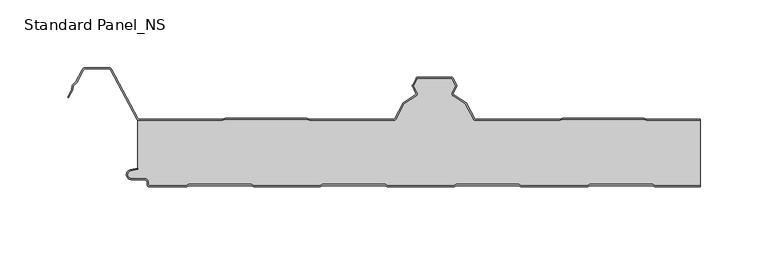
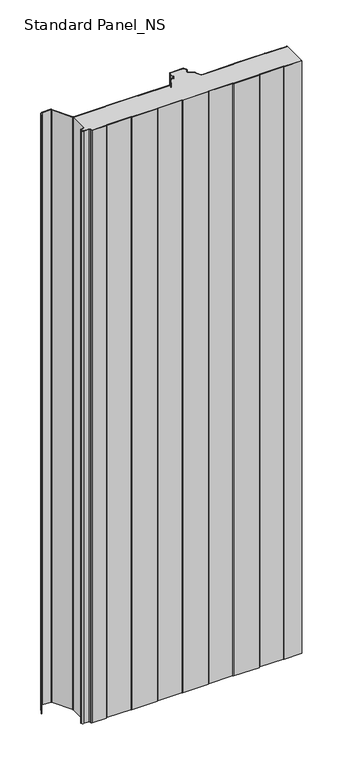
"""IFC4 building model written with IfcOpenShell, lengths in millimetres: proxy geometry, Standard Panel_NS."""

import ifcopenshell
import ifcopenshell.guid

model = None  # the IFC model being written
_history = None  # IfcOwnerHistory: only IFC2X3 demands one
_inside = {}  # id of a spatial element -> (the spatial element, [elements in it])
_under = {}  # id of a project, library or spatial element -> (it, [spatial elements below it])
_declared = {}  # id of a project -> (the project, [libraries it declares])
_typed = {}  # id of a type object -> (the type object, [elements of that type])
_made_of = {}  # id of a material, layer set ... -> (it, [elements and type objects made of it])


def new_model(schema):
    """Start an empty IFC model of exactly this schema.

    Asked for "IFC4X3", IfcOpenShell would pick the latest addendum, in which some entities
    have other attributes; the version numbers below select the first issue.
    IFC2X3 requires an IfcOwnerHistory on every rooted entity: one is made here for all.
    """
    global model, _history
    if schema == "IFC4X3":
        model = ifcopenshell.file(schema_version=(4, 3, 0, 0))
    else:
        model = ifcopenshell.file(schema=schema)
    _inside.clear()
    _under.clear()
    _declared.clear()
    _typed.clear()
    _made_of.clear()
    _history = None
    if model.schema == "IFC2X3":
        org = make("IfcOrganization", Name="unknown")
        user = make(
            "IfcPersonAndOrganization",
            ThePerson=make("IfcPerson", FamilyName="unknown"),
            TheOrganization=org,
        )
        app = make(
            "IfcApplication",
            ApplicationDeveloper=org,
            Version="unknown",
            ApplicationFullName="unknown",
            ApplicationIdentifier="unknown",
        )
        _history = make(
            "IfcOwnerHistory",
            OwningUser=user,
            OwningApplication=app,
            ChangeAction="ADDED",
            CreationDate=0,
        )
    return model


def make(cls, **values):
    """One entity of the class cls with the attributes given. An attribute that is None is left unset."""
    return model.create_entity(
        cls, **{name: value for name, value in values.items() if value is not None}
    )


def rooted(cls, **values):
    """An entity with a GlobalId (a new one), such as an element, a storey or a relation."""
    return make(cls, GlobalId=ifcopenshell.guid.new(), OwnerHistory=_history, **values)


def si_unit(unit_type, name, prefix=None):
    """IfcSIUnit, for example si_unit("LENGTHUNIT", "METRE", prefix="MILLI")."""
    return make("IfcSIUnit", UnitType=unit_type, Prefix=prefix, Name=name)


def assignment(units):
    """IfcUnitAssignment: the units of a project."""
    return None if units is None else make("IfcUnitAssignment", Units=units)


def point(xyz):
    """IfcCartesianPoint."""
    return None if xyz is None else make("IfcCartesianPoint", Coordinates=xyz)


def direction(xyz):
    """IfcDirection."""
    return None if xyz is None else make("IfcDirection", DirectionRatios=xyz)


def frame(location, z_axis=None, x_axis=None):
    """IfcAxis2Placement3D, a coordinate frame: its origin and axes. An axis left out is left unset."""
    return make(
        "IfcAxis2Placement3D",
        Location=point(location),
        Axis=direction(z_axis),
        RefDirection=direction(x_axis),
    )


def frame_2d(location, x_axis=None):
    """IfcAxis2Placement2D, a coordinate frame in the plane: its origin and x axis."""
    return make(
        "IfcAxis2Placement2D", Location=point(location), RefDirection=direction(x_axis)
    )


def origin():
    """The frame at (0, 0, 0) with its axes left unset."""
    return frame((0.0, 0.0, 0.0))


def origin_with_axes():
    """The frame at (0, 0, 0) with the z axis (0, 0, 1) and the x axis (1, 0, 0) written out."""
    return frame((0.0, 0.0, 0.0), z_axis=(0.0, 0.0, 1.0), x_axis=(1.0, 0.0, 0.0))


def place(relative_to, where):
    """IfcLocalPlacement: puts the frame where relative to a parent placement (None: the world)."""
    return make(
        "IfcLocalPlacement", PlacementRelTo=relative_to, RelativePlacement=where
    )


def context(
    kind, dimensions, precision=None, world=None, true_north=None, identifier=None
):
    """IfcGeometricRepresentationContext, for example the 3D "Model" context."""
    return make(
        "IfcGeometricRepresentationContext",
        ContextIdentifier=identifier,
        ContextType=kind,
        CoordinateSpaceDimension=dimensions,
        Precision=precision,
        WorldCoordinateSystem=world,
        TrueNorth=true_north,
    )


def project(units=None, contexts=None):
    """IfcProject with its units and contexts."""
    return rooted(
        "IfcProject",
        Name="project",
        RepresentationContexts=contexts,
        UnitsInContext=assignment(units),
    )


def spatial(cls, under=None, at=None, **own):
    """A site, building, storey or space (cls), placed at a placement, below another one or the project."""
    s = rooted(cls, ObjectPlacement=at, **own)
    if under is not None:
        _under.setdefault(under.id(), (under, []))[1].append(s)
    return s


def polyline(points):
    """IfcPolyline through the points."""
    return make("IfcPolyline", Points=[point(p) for p in points])


def circle_curve(where, radius):
    """IfcCircle in the frame where."""
    return make("IfcCircle", Position=where, Radius=radius)


def trimmed(basis, trim1, trim2, sense, master):
    """IfcTrimmedCurve: the piece of a basis curve between two trims."""
    return make(
        "IfcTrimmedCurve",
        BasisCurve=basis,
        Trim1=trim1,
        Trim2=trim2,
        SenseAgreement=sense,
        MasterRepresentation=master,
    )


def segment(curve, same_sense, transition):
    """IfcCompositeCurveSegment."""
    return make(
        "IfcCompositeCurveSegment",
        Transition=transition,
        SameSense=same_sense,
        ParentCurve=curve,
    )


def composite_curve(segments, self_intersect=None):
    """IfcCompositeCurve: segments joined end to end."""
    return make("IfcCompositeCurve", Segments=segments, SelfIntersect=self_intersect)


def outline(outer, holes=None, kind="AREA"):
    """IfcArbitraryClosedProfileDef: a profile drawn as a closed curve; with holes, ...WithVoids."""
    if holes is None:
        return make("IfcArbitraryClosedProfileDef", ProfileType=kind, OuterCurve=outer)
    return make(
        "IfcArbitraryProfileDefWithVoids",
        ProfileType=kind,
        OuterCurve=outer,
        InnerCurves=holes,
    )


def extrude(swept, where, along, depth):
    """IfcExtrudedAreaSolid: the profile swept, set in the frame where, extruded along a direction by depth."""
    return make(
        "IfcExtrudedAreaSolid",
        SweptArea=swept,
        Position=where,
        ExtrudedDirection=direction(along),
        Depth=depth,
    )


def shape(context_of_items, identifier, shape_type, items):
    """IfcShapeRepresentation: the items that make up one representation, for example the "Body"."""
    return make(
        "IfcShapeRepresentation",
        ContextOfItems=context_of_items,
        RepresentationIdentifier=identifier,
        RepresentationType=shape_type,
        Items=items,
    )


def source(mapping_origin, context_of_items, identifier, shape_type, items):
    """IfcRepresentationMap: a shape defined once, which mapped items show again and again."""
    return make(
        "IfcRepresentationMap",
        MappingOrigin=mapping_origin,
        MappedRepresentation=shape(context_of_items, identifier, shape_type, items),
    )


def transform(
    local_origin,
    x_axis=None,
    y_axis=None,
    z_axis=None,
    scale=None,
    scale2=None,
    scale3=None,
    uniform=True,
):
    """IfcCartesianTransformationOperator3D, or its non-uniform kind. x_axis, y_axis, z_axis: its Axis1, 2, 3."""
    if uniform:
        return make(
            "IfcCartesianTransformationOperator3D",
            Axis1=direction(x_axis),
            Axis2=direction(y_axis),
            LocalOrigin=point(local_origin),
            Scale=scale,
            Axis3=direction(z_axis),
        )
    return make(
        "IfcCartesianTransformationOperator3DnonUniform",
        Axis1=direction(x_axis),
        Axis2=direction(y_axis),
        LocalOrigin=point(local_origin),
        Scale=scale,
        Axis3=direction(z_axis),
        Scale2=scale2,
        Scale3=scale3,
    )


def mapped(mapping_source, mapping_target):
    """IfcMappedItem: shows the shape of a source again, moved by a transform."""
    return make(
        "IfcMappedItem", MappingSource=mapping_source, MappingTarget=mapping_target
    )


def made_of(thing, what):
    """Note that an element or type object is made of a material, layer set ...; save() writes the relation."""
    if what is not None:
        _made_of.setdefault(what.id(), (what, []))[1].append(thing)
    return thing


def element(
    cls,
    number,
    at=None,
    inside=None,
    cuts=None,
    type_object=None,
    material=None,
    context=None,
    identifier="Body",
    shape_type=None,
    held_by="IfcProductDefinitionShape",
    body=None,
    shapes=None,
    **own,
):
    """One element of the class cls, such as IfcWall. Its Tag is "e" and its number.

    at: its placement. inside: the storey or other place that contains it. cuts: it is an
    opening in that element (IfcRelVoidsElement). A single representation is given by context,
    identifier, shape_type and body (its items); several are given by shapes. held_by: the class
    of the entity that holds the representations. save() writes the other relations.
    """
    e = rooted(cls, Tag="e%d" % number, ObjectPlacement=at, **own)
    if body is not None:
        shapes = [shape(context, identifier, shape_type, body)]
    if shapes is not None:
        e.Representation = make(held_by, Representations=shapes)
    if inside is not None:
        _inside.setdefault(inside.id(), (inside, []))[1].append(e)
    if cuts is not None:
        rooted(
            "IfcRelVoidsElement", RelatingBuildingElement=cuts, RelatedOpeningElement=e
        )
    if type_object is not None:
        _typed.setdefault(type_object.id(), (type_object, []))[1].append(e)
    return made_of(e, material)


def aggregate(whole, parts):
    """IfcRelAggregates: a whole, such as a stair, and the parts it consists of."""
    return rooted("IfcRelAggregates", RelatingObject=whole, RelatedObjects=parts)


def save(model, path):
    """Write the relations noted so far, then the file.

    IfcRelAggregates (storeys below a building ...), IfcRelContainedInSpatialStructure (elements
    in a storey), IfcRelDefinesByType, IfcRelAssociatesMaterial and IfcRelDeclares: one each for
    every whole, place, type object, material and project.
    """
    for whole, parts in _under.values():
        aggregate(whole, parts)
    for where, things in _inside.values():
        rooted(
            "IfcRelContainedInSpatialStructure",
            RelatedElements=things,
            RelatingStructure=where,
        )
    for kind, things in _typed.values():
        rooted("IfcRelDefinesByType", RelatedObjects=things, RelatingType=kind)
    for what, things in _made_of.values():
        rooted("IfcRelAssociatesMaterial", RelatedObjects=things, RelatingMaterial=what)
    for by, libraries in _declared.values():
        rooted("IfcRelDeclares", RelatingContext=by, RelatedDefinitions=libraries)
    model.write(path)


def standard_panel_ns_6eb0cafb(model_context):
    return source(origin(), model_context, "Body", "SweptSolid", [
        extrude(outline(composite_curve([segment(polyline([(189.9831604, 0.0), (188.2086589, 1.0), (142.2089551, 1.0), (140.4769043, 0.0), (90.9831604, 0.0), (89.2086589, 1.0), (43.2089551, 1.0), (41.4769043, 0.0), (-8.0230957, 0.0), (-9.7551465, 1.0), (-55.7910449, 1.0), (-57.5230957, -0.013703), (-107.0168396, -0.013703), (-108.7913411, 0.986297), (-154.7910449, 0.986297), (-156.5230957, -0.013703), (-183.7507504, -0.013703)]), True, "CONTINUOUS"), segment(trimmed(circle_curve(frame_2d((-183.7507504, 2.036297)), 2.05), [point((-183.7507504, -0.013703))], [point((-185.8007504, 2.036297))], False, "CARTESIAN"), True, "CONTINUOUS"), segment(polyline([(-185.8007504, 2.036297), (-185.8007504, 3.436297)]), True, "CONTINUOUS"), segment(trimmed(circle_curve(frame_2d((-187.7507504, 3.436297)), 1.95), [point((-185.8007504, 3.436297))], [point((-187.7507504, 5.386297))], True, "CARTESIAN"), True, "CONTINUOUS"), segment(polyline([(-187.7507504, 5.386297), (-197.5507504, 5.386297)]), True, "CONTINUOUS"), segment(trimmed(circle_curve(frame_2d((-197.5507504, 9.036297)), 3.65), [point((-197.5507504, 5.386297))], [point((-198.3718217, 12.5927478))], False, "CARTESIAN"), True, "CONTINUOUS"), segment(polyline([(-198.3718217, 12.5927478), (-192.9286061, 13.8494131), (-192.7486452, 13.0699171), (-198.1918609, 11.8132517)]), True, "CONTINUOUS"), segment(trimmed(circle_curve(frame_2d((-197.5507504, 9.036297)), 2.85), [point((-198.1918609, 11.8132517))], [point((-197.5507504, 6.186297))], True, "CARTESIAN"), True, "CONTINUOUS"), segment(polyline([(-197.5507504, 6.186297), (-187.7507504, 6.186297)]), True, "CONTINUOUS"), segment(trimmed(circle_curve(frame_2d((-187.7507504, 3.436297)), 2.75), [point((-187.7507504, 6.186297))], [point((-185.0007504, 3.436297))], False, "CARTESIAN"), True, "CONTINUOUS"), segment(polyline([(-185.0007504, 3.436297), (-185.0007504, 2.036297)]), True, "CONTINUOUS"), segment(trimmed(circle_curve(frame_2d((-183.7507504, 2.036297)), 1.25), [point((-185.0007504, 2.036297))], [point((-183.7507504, 0.786297))], True, "CARTESIAN"), True, "CONTINUOUS"), segment(polyline([(-183.7507504, 0.786297), (-156.737455, 0.786297), (-155.0054042, 1.786297), (-108.5814431, 1.786297), (-106.8069416, 0.786297), (-57.737455, 0.786297), (-56.0054042, 1.8), (-9.5407871, 1.8), (-7.8087363, 0.8), (41.262545, 0.8), (42.9945958, 1.8), (89.4185569, 1.8), (91.1930584, 0.8), (140.262545, 0.8), (141.9945958, 1.8), (188.4185569, 1.8), (190.1930584, 0.8), (223.9042607, 0.8), (223.9042607, 0.0), (189.9831604, 0.0)]), True, "CONTINUOUS")], self_intersect=False)), origin_with_axes(), (0.0, 0.0, 1.0), 1219.2),
        extrude(outline(composite_curve([segment(polyline([(-191.3607504, 50.0), (-130.2226037, 50.0), (-127.8409703, 50.9683897), (-67.7367801, 50.9683897), (-65.3551468, 50.0), (-3.3730141, 50.0)]), True, "CONTINUOUS"), segment(trimmed(circle_curve(frame_2d((-3.3750906, 50.9999978)), 1.0), [point((-3.3730141, 50.0))], [point((-2.4921477, 50.5305175))], True, "CARTESIAN"), True, "CONTINUOUS"), segment(polyline([(-2.4921477, 50.5305175), (3.7317189, 62.2356263), (12.8940779, 68.0365524)]), True, "CONTINUOUS"), segment(trimmed(circle_curve(frame_2d((12.3591509, 68.8814507)), 1.0), [point((12.8940779, 68.0365524))], [point((13.2530523, 69.3297144))], True, "CARTESIAN"), True, "CONTINUOUS"), segment(polyline([(13.2530523, 69.3297144), (10.7022883, 74.4163001)]), True, "CONTINUOUS"), segment(trimmed(circle_curve(frame_2d((11.5961897, 74.8645637)), 1.0), [point((10.7022883, 74.4163001))], [point((10.7132468, 75.3340441))], False, "CARTESIAN"), True, "CONTINUOUS"), segment(polyline([(10.7132468, 75.3340441), (13.4449029, 80.4714183)]), True, "CONTINUOUS"), segment(trimmed(circle_curve(frame_2d((14.7693172, 79.7671978)), 1.5), [point((13.4449029, 80.4714183))], [point((14.7964212, 81.2669529))], False, "CARTESIAN"), True, "CONTINUOUS"), segment(polyline([(14.7964212, 81.2669529), (39.4219504, 81.2669529)]), True, "CONTINUOUS"), segment(trimmed(circle_curve(frame_2d((39.4219504, 79.7669529)), 1.5), [point((39.4219504, 81.2669529))], [point((40.7463788, 80.4711471))], False, "CARTESIAN"), True, "CONTINUOUS"), segment(polyline([(40.7463788, 80.4711471), (43.4835237, 75.3232034)]), True, "CONTINUOUS"), segment(trimmed(circle_curve(frame_2d((42.6005714, 74.8537406)), 1.0), [point((43.4835237, 75.3232034))], [point((43.4944639, 74.4054592))], False, "CARTESIAN"), True, "CONTINUOUS"), segment(polyline([(43.4944639, 74.4054592), (40.9489617, 69.329618)]), True, "CONTINUOUS"), segment(trimmed(circle_curve(frame_2d((41.8428542, 68.8813366)), 1.0), [point((40.9489617, 69.329618))], [point((41.3079104, 68.0364489))], True, "CARTESIAN"), True, "CONTINUOUS"), segment(polyline([(41.3079104, 68.0364489), (50.4534972, 62.2458871), (56.6825853, 50.5303966)]), True, "CONTINUOUS"), segment(trimmed(circle_curve(frame_2d((57.5653038, 50.9997352)), 0.9997353), [point((56.6825853, 50.5303966))], [point((57.5653038, 49.9999999))], True, "CARTESIAN"), True, "CONTINUOUS"), segment(polyline([(57.5653038, 49.9999999), (119.546444, 49.9999999), (121.9280844, 50.9683897), (182.032274, 50.9683897), (184.4139138, 50.0), (223.9042607, 50.0), (223.9042607, 49.2), (184.2574895, 49.2), (181.8758496, 50.1683897), (122.0845088, 50.1683897), (119.7028683, 49.2), (57.5653038, 49.2)]), True, "CONTINUOUS"), segment(trimmed(circle_curve(frame_2d((57.5653038, 50.9997352)), 1.7997352), [point((57.5653038, 49.2))], [point((55.9762236, 50.1548264))], False, "CARTESIAN"), True, "CONTINUOUS"), segment(polyline([(55.9762236, 50.1548264), (49.8465774, 61.6832892), (40.8799555, 67.3605387)]), True, "CONTINUOUS"), segment(trimmed(circle_curve(frame_2d((41.8428542, 68.8813366)), 1.8), [point((40.8799555, 67.3605387))], [point((40.2338477, 69.6882431))], False, "CARTESIAN"), True, "CONTINUOUS"), segment(polyline([(40.2338477, 69.6882431), (42.8256576, 74.8564238), (39.8425575, 80.4669529), (14.3485893, 80.4669529), (11.3711036, 74.8672514), (13.9681734, 69.6883253)]), True, "CONTINUOUS"), segment(trimmed(circle_curve(frame_2d((12.3591509, 68.8814507)), 1.8), [point((13.9681734, 69.6883253))], [point((13.3220194, 67.3606338))], False, "CARTESIAN"), True, "CONTINUOUS"), segment(polyline([(13.3220194, 67.3606338), (4.3386275, 61.6730163), (-1.7857934, 50.1549332)]), True, "CONTINUOUS"), segment(trimmed(circle_curve(frame_2d((-3.3750906, 50.9999978)), 1.8), [point((-1.7857934, 50.1549332))], [point((-3.3723047, 49.2))], False, "CARTESIAN"), True, "CONTINUOUS"), segment(polyline([(-3.3723047, 49.2), (-65.5115715, 49.2), (-67.8932049, 50.1683897), (-127.6845456, 50.1683897), (-130.0661789, 49.2), (-191.3607504, 49.2)]), True, "CONTINUOUS"), segment(trimmed(circle_curve(frame_2d((-191.3607504, 51.75)), 2.55), [point((-191.3607504, 49.2))], [point((-193.6122667, 50.5528475))], False, "CARTESIAN"), True, "CONTINUOUS"), segment(polyline([(-193.6122667, 50.5528475), (-212.7155013, 86.4808064)]), True, "CONTINUOUS"), segment(trimmed(circle_curve(frame_2d((-214.5255439, 85.5183897)), 2.05), [point((-212.7155013, 86.4808064))], [point((-214.5255439, 87.5683897))], True, "CARTESIAN"), True, "CONTINUOUS"), segment(polyline([(-214.5255439, 87.5683897), (-231.2663514, 87.5683897)]), True, "CONTINUOUS"), segment(trimmed(circle_curve(frame_2d((-231.2663514, 85.5183897)), 2.05), [point((-231.2663514, 87.5683897))], [point((-233.076394, 86.4808064))], True, "CARTESIAN"), True, "CONTINUOUS"), segment(polyline([(-233.076394, 86.4808064), (-238.0216911, 77.1800551), (-240.3428004, 74.9723908), (-240.9163332, 71.7360251), (-244.0441824, 65.8533964), (-244.7505404, 66.2289737), (-241.6820111, 72.000038), (-241.084649, 75.3708693), (-238.6671014, 77.6702585), (-233.782752, 86.8563836)]), True, "CONTINUOUS"), segment(trimmed(circle_curve(frame_2d((-231.2663514, 85.5183897)), 2.85), [point((-233.782752, 86.8563836))], [point((-231.2663514, 88.3683897))], False, "CARTESIAN"), True, "CONTINUOUS"), segment(polyline([(-231.2663514, 88.3683897), (-214.5255439, 88.3683897)]), True, "CONTINUOUS"), segment(trimmed(circle_curve(frame_2d((-214.5255439, 85.5183897)), 2.85), [point((-214.5255439, 88.3683897))], [point((-212.0091432, 86.8563836))], False, "CARTESIAN"), True, "CONTINUOUS"), segment(polyline([(-212.0091432, 86.8563836), (-192.9059087, 50.9284248)]), True, "CONTINUOUS"), segment(trimmed(circle_curve(frame_2d((-191.3607504, 51.75)), 1.75), [point((-192.9059087, 50.9284248))], [point((-191.3607504, 50.0))], True, "CARTESIAN"), True, "CONTINUOUS")], self_intersect=False)), origin_with_axes(), (0.0, 0.0, 1.0), 1219.2),
        extrude(outline(composite_curve([segment(polyline([(-191.3607504, 49.2), (-130.0661789, 49.2), (-127.6845456, 50.1683897), (-67.8932049, 50.1683897), (-65.5115715, 49.2), (-3.3723047, 49.2)]), True, "CONTINUOUS"), segment(trimmed(circle_curve(frame_2d((-3.3750906, 50.9999978)), 1.8), [point((-3.3723047, 49.2))], [point((-1.7857934, 50.1549332))], True, "CARTESIAN"), True, "CONTINUOUS"), segment(polyline([(-1.7857934, 50.1549332), (4.3386275, 61.6730163), (13.3220194, 67.3606338)]), True, "CONTINUOUS"), segment(trimmed(circle_curve(frame_2d((12.3591509, 68.8814507)), 1.8), [point((13.3220194, 67.3606338))], [point((13.9681734, 69.6883253))], True, "CARTESIAN"), True, "CONTINUOUS"), segment(polyline([(13.9681734, 69.6883253), (11.3711036, 74.8672514), (14.3485893, 80.4669529), (39.8425575, 80.4669529), (42.8256576, 74.8564238), (40.2338477, 69.6882431)]), True, "CONTINUOUS"), segment(trimmed(circle_curve(frame_2d((41.8428542, 68.8813366)), 1.8), [point((40.2338477, 69.6882431))], [point((40.8799555, 67.3605387))], True, "CARTESIAN"), True, "CONTINUOUS"), segment(polyline([(40.8799555, 67.3605387), (49.8465774, 61.6832892), (55.9762236, 50.1548264)]), True, "CONTINUOUS"), segment(trimmed(circle_curve(frame_2d((57.5653038, 50.9997352)), 1.7997352), [point((55.9762236, 50.1548264))], [point((57.5653038, 49.2))], True, "CARTESIAN"), True, "CONTINUOUS"), segment(polyline([(57.5653038, 49.2), (119.7028683, 49.2), (122.0845088, 50.1683897), (181.8758496, 50.1683897), (184.2574895, 49.2), (223.9042607, 49.2), (223.9042607, 0.8), (190.1930584, 0.8), (188.4185569, 1.8), (141.9945958, 1.8), (140.262545, 0.8), (91.1930584, 0.8), (89.4185569, 1.8), (42.9945958, 1.8), (41.262545, 0.8), (-7.8087363, 0.8), (-9.5407871, 1.8), (-56.0054042, 1.8), (-57.737455, 0.786297), (-106.8069416, 0.786297), (-108.5814431, 1.786297), (-155.0054042, 1.786297), (-156.737455, 0.786297), (-183.7507504, 0.786297)]), True, "CONTINUOUS"), segment(trimmed(circle_curve(frame_2d((-183.7507504, 2.036297)), 1.25), [point((-183.7507504, 0.786297))], [point((-185.0007504, 2.036297))], False, "CARTESIAN"), True, "CONTINUOUS"), segment(polyline([(-185.0007504, 2.036297), (-185.0007504, 3.436297)]), True, "CONTINUOUS"), segment(trimmed(circle_curve(frame_2d((-187.7507504, 3.436297)), 2.75), [point((-185.0007504, 3.436297))], [point((-187.7507504, 6.186297))], True, "CARTESIAN"), True, "CONTINUOUS"), segment(polyline([(-187.7507504, 6.186297), (-197.5507504, 6.186297)]), True, "CONTINUOUS"), segment(trimmed(circle_curve(frame_2d((-197.5507504, 9.036297)), 2.85), [point((-197.5507504, 6.186297))], [point((-198.1918609, 11.8132517))], False, "CARTESIAN"), True, "CONTINUOUS"), segment(polyline([(-198.1918609, 11.8132517), (-192.7486452, 13.0699171), (-192.7486452, 49.6107833)]), True, "CONTINUOUS"), segment(trimmed(circle_curve(frame_2d((-191.3607504, 51.75)), 2.55), [point((-192.7486452, 49.6107833))], [point((-191.3607504, 49.2))], True, "CARTESIAN"), True, "CONTINUOUS")], self_intersect=False)), origin_with_axes(), (0.0, 0.0, 1.0), 1219.2),
    ])


if __name__ == "__main__":
    model = new_model("IFC4")
    model_context = context("Model", 3, world=origin())
    ifc_project = project(units=[si_unit("LENGTHUNIT", "METRE", prefix="MILLI")], contexts=[model_context])
    site = spatial("IfcSite", under=ifc_project)
    building = spatial("IfcBuilding", under=site)
    placement = place(None, origin())
    standard_panel_ns_shape = standard_panel_ns_6eb0cafb(model_context)
    element("IfcBuildingElementProxy", 1, Name="Standard Panel_NS", ObjectType="Standard Panel_NS", at=placement, inside=building, context=model_context, shape_type="MappedRepresentation", body=[
        mapped(standard_panel_ns_shape, transform((0.0, 0.0, 0.0), x_axis=(1.0, 0.0, 0.0), y_axis=(0.0, 1.0, 0.0), z_axis=(0.0, 0.0, 1.0))),
    ])
    save(model, "model.ifc")
